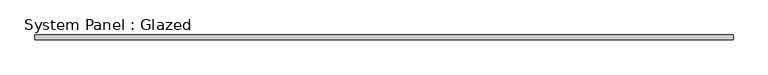
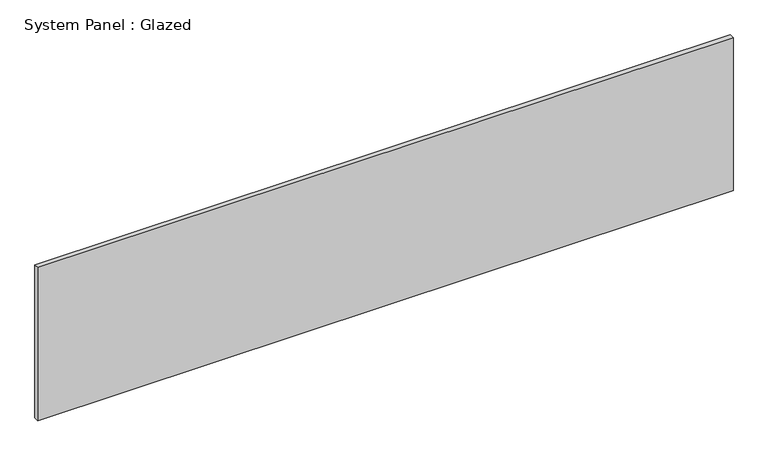
"""IFC4 building model written with IfcOpenShell, lengths in millimetres: plate geometry, System Panel : Glazed."""

from ifc_helpers import new_model, si_unit, origin, origin_with_axes, place, context, project, spatial, polyline, outline, extrude, source, transform, mapped, element, save


def system_panel_glazed_eba10df1(model_context):
    return source(origin(), model_context, "Body", "SweptSolid", [
        extrude(outline(polyline([(1825.1050693, 24.5), (-1825.1050693, 24.5), (-1825.1050693, 49.5), (1825.1050693, 49.5), (1825.1050693, 24.5)])), origin_with_axes(), (0.0, 0.0, 1.0), 850.0),
    ])


if __name__ == "__main__":
    model = new_model("IFC4")
    model_context = context("Model", 3, world=origin())
    ifc_project = project(units=[si_unit("LENGTHUNIT", "METRE", prefix="MILLI")], contexts=[model_context])
    site = spatial("IfcSite", under=ifc_project)
    building = spatial("IfcBuilding", under=site)
    placement = place(None, origin())
    system_panel_glazed_shape = system_panel_glazed_eba10df1(model_context)
    element("IfcPlate", 1, ObjectType="System Panel : Glazed", at=placement, inside=building, context=model_context, shape_type="MappedRepresentation", body=[
        mapped(system_panel_glazed_shape, transform((0.0, 0.0, 0.0), x_axis=(1.0, 0.0, 0.0), y_axis=(0.0, 1.0, 0.0), z_axis=(0.0, 0.0, 1.0))),
    ])
    save(model, "model.ifc")
